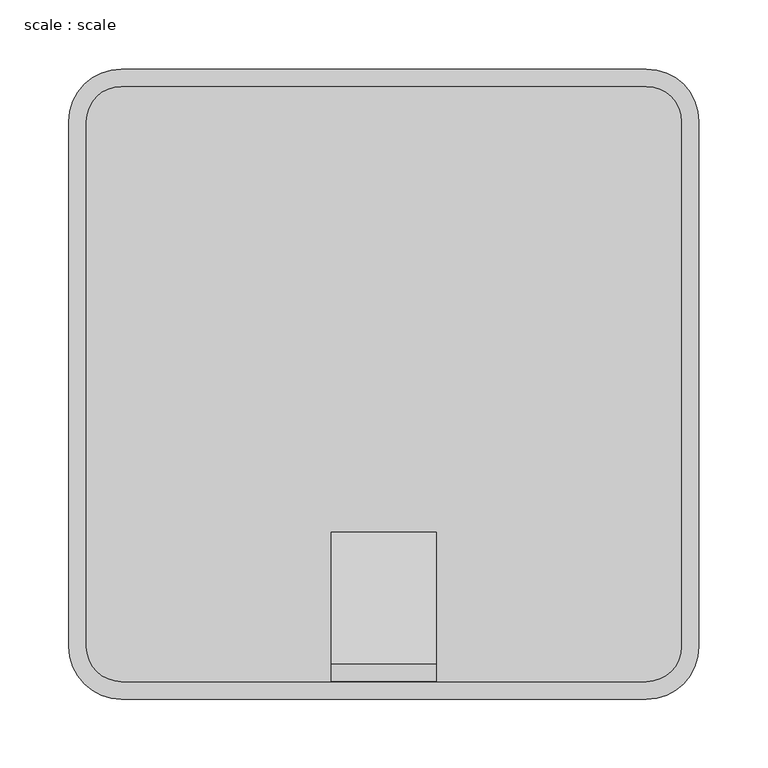
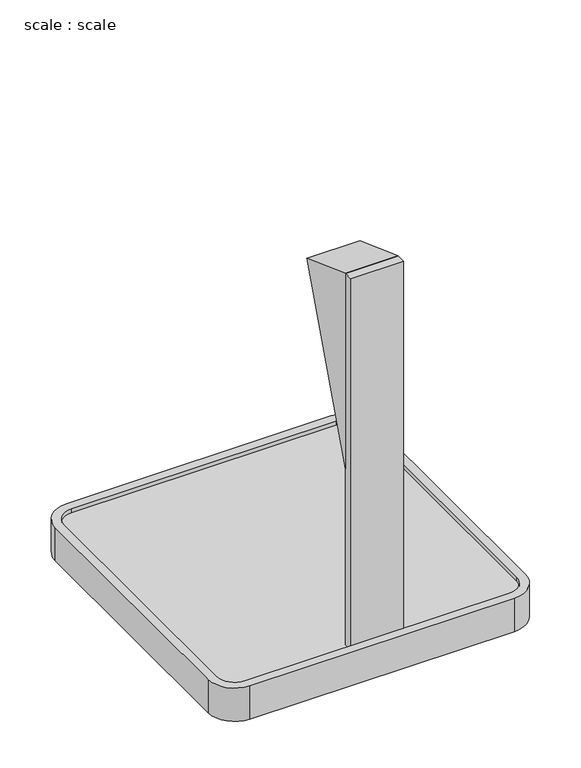
"""IFC4 building model written with IfcOpenShell, lengths in millimetres: proxy geometry, scale : scale."""

from ifc_helpers import new_model, si_unit, point, frame, frame_2d, origin, origin_with_axes, place, context, project, spatial, polyline, circle_curve, trimmed, segment, composite_curve, outline, extrude, source, transform, mapped, element, save


def scale_scale_e14472d7(model_context):
    return source(origin(), model_context, "Body", "SweptSolid", [
        extrude(outline(polyline([(120.8727703, 574.8507534), (25.4, 312.5414729), (25.4, 609.6), (120.8727703, 574.8507534)])), frame((190.5, 0.0, 0.0), z_axis=(1.0, 0.0, 0.0), x_axis=(0.0, 1.0, 0.0)), (0.0, 0.0, 1.0), 76.2),
        extrude(outline(polyline([(266.7, 12.7), (190.5, 12.7), (190.5, 25.4), (266.7, 25.4), (266.7, 12.7)])), frame((0.0, 0.0, 44.45), z_axis=(0.0, 0.0, 1.0), x_axis=(1.0, 0.0, 0.0)), (0.0, 0.0, 1.0), 565.15),
        extrude(outline(composite_curve([segment(trimmed(circle_curve(frame_2d((419.1, 419.1)), 25.4), [point((419.1, 444.5))], [point((444.5, 419.1))], False, "CARTESIAN"), True, "CONTINUOUS"), segment(polyline([(444.5, 419.1), (444.5, 38.1)]), True, "CONTINUOUS"), segment(trimmed(circle_curve(frame_2d((419.1, 38.1)), 25.4), [point((444.5, 38.1))], [point((419.1, 12.7))], False, "CARTESIAN"), True, "CONTINUOUS"), segment(polyline([(419.1, 12.7), (38.1, 12.7)]), True, "CONTINUOUS"), segment(trimmed(circle_curve(frame_2d((38.1, 38.1)), 25.4), [point((38.1, 12.7))], [point((12.7, 38.1))], False, "CARTESIAN"), True, "CONTINUOUS"), segment(polyline([(12.7, 38.1), (12.7, 419.1)]), True, "CONTINUOUS"), segment(trimmed(circle_curve(frame_2d((38.1, 419.1)), 25.4), [point((12.7, 419.1))], [point((38.1, 444.5))], False, "CARTESIAN"), True, "CONTINUOUS"), segment(polyline([(38.1, 444.5), (419.1, 444.5)]), True, "CONTINUOUS")], self_intersect=False)), origin_with_axes(), (0.0, 0.0, 1.0), 44.45),
        extrude(outline(composite_curve([segment(trimmed(circle_curve(frame_2d((38.1, 419.1)), 38.1), [point((0.0, 419.1))], [point((38.1, 457.2))], False, "CARTESIAN"), True, "CONTINUOUS"), segment(polyline([(38.1, 457.2), (419.1, 457.2)]), True, "CONTINUOUS"), segment(trimmed(circle_curve(frame_2d((419.1, 419.1)), 38.1), [point((419.1, 457.2))], [point((457.2, 419.1))], False, "CARTESIAN"), True, "CONTINUOUS"), segment(polyline([(457.2, 419.1), (457.2, 38.1)]), True, "CONTINUOUS"), segment(trimmed(circle_curve(frame_2d((419.1, 38.1)), 38.1), [point((457.2, 38.1))], [point((419.1, 0.0))], False, "CARTESIAN"), True, "CONTINUOUS"), segment(polyline([(419.1, 0.0), (38.1, 0.0)]), True, "CONTINUOUS"), segment(trimmed(circle_curve(frame_2d((38.1, 38.1)), 38.1), [point((38.1, 0.0))], [point((0.0, 38.1))], False, "CARTESIAN"), True, "CONTINUOUS"), segment(polyline([(0.0, 38.1), (0.0, 419.1)]), True, "CONTINUOUS")], self_intersect=False), holes=[composite_curve([segment(trimmed(circle_curve(frame_2d((38.1, 419.1)), 25.4), [point((38.1, 444.5))], [point((12.7, 419.1))], True, "CARTESIAN"), True, "CONTINUOUS"), segment(polyline([(12.7, 419.1), (12.7, 38.1)]), True, "CONTINUOUS"), segment(trimmed(circle_curve(frame_2d((38.1, 38.1)), 25.4), [point((12.7, 38.1))], [point((38.1, 12.7))], True, "CARTESIAN"), True, "CONTINUOUS"), segment(polyline([(38.1, 12.7), (419.1, 12.7)]), True, "CONTINUOUS"), segment(trimmed(circle_curve(frame_2d((419.1, 38.1)), 25.4), [point((419.1, 12.7))], [point((444.5, 38.1))], True, "CARTESIAN"), True, "CONTINUOUS"), segment(polyline([(444.5, 38.1), (444.5, 419.1)]), True, "CONTINUOUS"), segment(trimmed(circle_curve(frame_2d((419.1, 419.1)), 25.4), [point((444.5, 419.1))], [point((419.1, 444.5))], True, "CARTESIAN"), True, "CONTINUOUS"), segment(polyline([(419.1, 444.5), (38.1, 444.5)]), True, "CONTINUOUS")], self_intersect=False)]), origin_with_axes(), (0.0, 0.0, 1.0), 50.8),
    ])


if __name__ == "__main__":
    model = new_model("IFC4")
    model_context = context("Model", 3, world=origin())
    ifc_project = project(units=[si_unit("LENGTHUNIT", "METRE", prefix="MILLI")], contexts=[model_context])
    site = spatial("IfcSite", under=ifc_project)
    building = spatial("IfcBuilding", under=site)
    placement = place(None, origin())
    scale_scale_shape = scale_scale_e14472d7(model_context)
    element("IfcBuildingElementProxy", 1, Name="scale : scale", ObjectType="scale : scale", at=placement, inside=building, context=model_context, shape_type="MappedRepresentation", body=[
        mapped(scale_scale_shape, transform((0.0, 0.0, 0.0), x_axis=(1.0, 0.0, 0.0), y_axis=(0.0, 1.0, 0.0), z_axis=(0.0, 0.0, 1.0))),
    ])
    save(model, "model.ifc")
